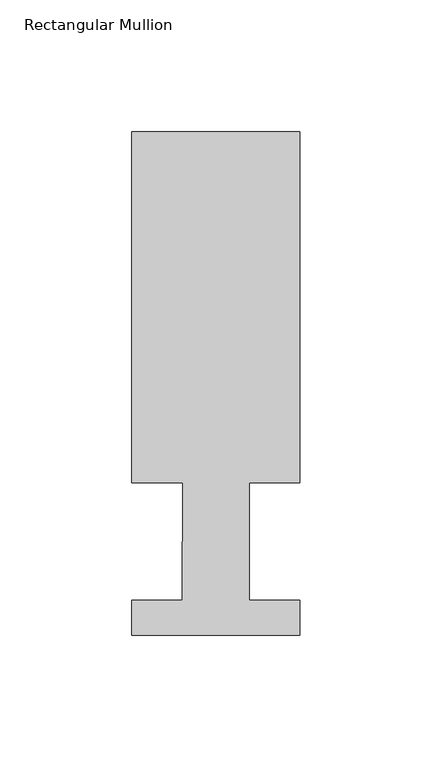
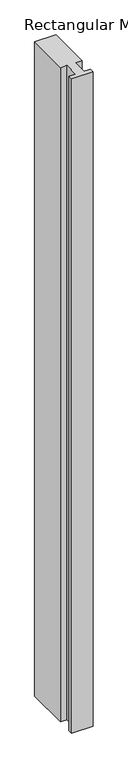
"""IFC4 building model written with IfcOpenShell, lengths in millimetres: member geometry, Rectangular Mullion."""

import ifcopenshell
import ifcopenshell.guid

model = None  # the IFC model being written
_history = None  # IfcOwnerHistory: only IFC2X3 demands one
_inside = {}  # id of a spatial element -> (the spatial element, [elements in it])
_under = {}  # id of a project, library or spatial element -> (it, [spatial elements below it])
_declared = {}  # id of a project -> (the project, [libraries it declares])
_typed = {}  # id of a type object -> (the type object, [elements of that type])
_made_of = {}  # id of a material, layer set ... -> (it, [elements and type objects made of it])


def new_model(schema):
    """Start an empty IFC model of exactly this schema.

    Asked for "IFC4X3", IfcOpenShell would pick the latest addendum, in which some entities
    have other attributes; the version numbers below select the first issue.
    IFC2X3 requires an IfcOwnerHistory on every rooted entity: one is made here for all.
    """
    global model, _history
    if schema == "IFC4X3":
        model = ifcopenshell.file(schema_version=(4, 3, 0, 0))
    else:
        model = ifcopenshell.file(schema=schema)
    _inside.clear()
    _under.clear()
    _declared.clear()
    _typed.clear()
    _made_of.clear()
    _history = None
    if model.schema == "IFC2X3":
        org = make("IfcOrganization", Name="unknown")
        user = make(
            "IfcPersonAndOrganization",
            ThePerson=make("IfcPerson", FamilyName="unknown"),
            TheOrganization=org,
        )
        app = make(
            "IfcApplication",
            ApplicationDeveloper=org,
            Version="unknown",
            ApplicationFullName="unknown",
            ApplicationIdentifier="unknown",
        )
        _history = make(
            "IfcOwnerHistory",
            OwningUser=user,
            OwningApplication=app,
            ChangeAction="ADDED",
            CreationDate=0,
        )
    return model


def make(cls, **values):
    """One entity of the class cls with the attributes given. An attribute that is None is left unset."""
    return model.create_entity(
        cls, **{name: value for name, value in values.items() if value is not None}
    )


def rooted(cls, **values):
    """An entity with a GlobalId (a new one), such as an element, a storey or a relation."""
    return make(cls, GlobalId=ifcopenshell.guid.new(), OwnerHistory=_history, **values)


def si_unit(unit_type, name, prefix=None):
    """IfcSIUnit, for example si_unit("LENGTHUNIT", "METRE", prefix="MILLI")."""
    return make("IfcSIUnit", UnitType=unit_type, Prefix=prefix, Name=name)


def assignment(units):
    """IfcUnitAssignment: the units of a project."""
    return None if units is None else make("IfcUnitAssignment", Units=units)


def point(xyz):
    """IfcCartesianPoint."""
    return None if xyz is None else make("IfcCartesianPoint", Coordinates=xyz)


def direction(xyz):
    """IfcDirection."""
    return None if xyz is None else make("IfcDirection", DirectionRatios=xyz)


def frame(location, z_axis=None, x_axis=None):
    """IfcAxis2Placement3D, a coordinate frame: its origin and axes. An axis left out is left unset."""
    return make(
        "IfcAxis2Placement3D",
        Location=point(location),
        Axis=direction(z_axis),
        RefDirection=direction(x_axis),
    )


def origin():
    """The frame at (0, 0, 0) with its axes left unset."""
    return frame((0.0, 0.0, 0.0))


def place(relative_to, where):
    """IfcLocalPlacement: puts the frame where relative to a parent placement (None: the world)."""
    return make(
        "IfcLocalPlacement", PlacementRelTo=relative_to, RelativePlacement=where
    )


def context(
    kind, dimensions, precision=None, world=None, true_north=None, identifier=None
):
    """IfcGeometricRepresentationContext, for example the 3D "Model" context."""
    return make(
        "IfcGeometricRepresentationContext",
        ContextIdentifier=identifier,
        ContextType=kind,
        CoordinateSpaceDimension=dimensions,
        Precision=precision,
        WorldCoordinateSystem=world,
        TrueNorth=true_north,
    )


def project(units=None, contexts=None):
    """IfcProject with its units and contexts."""
    return rooted(
        "IfcProject",
        Name="project",
        RepresentationContexts=contexts,
        UnitsInContext=assignment(units),
    )


def spatial(cls, under=None, at=None, **own):
    """A site, building, storey or space (cls), placed at a placement, below another one or the project."""
    s = rooted(cls, ObjectPlacement=at, **own)
    if under is not None:
        _under.setdefault(under.id(), (under, []))[1].append(s)
    return s


def polyline(points):
    """IfcPolyline through the points."""
    return make("IfcPolyline", Points=[point(p) for p in points])


def outline(outer, holes=None, kind="AREA"):
    """IfcArbitraryClosedProfileDef: a profile drawn as a closed curve; with holes, ...WithVoids."""
    if holes is None:
        return make("IfcArbitraryClosedProfileDef", ProfileType=kind, OuterCurve=outer)
    return make(
        "IfcArbitraryProfileDefWithVoids",
        ProfileType=kind,
        OuterCurve=outer,
        InnerCurves=holes,
    )


def extrude(swept, where, along, depth):
    """IfcExtrudedAreaSolid: the profile swept, set in the frame where, extruded along a direction by depth."""
    return make(
        "IfcExtrudedAreaSolid",
        SweptArea=swept,
        Position=where,
        ExtrudedDirection=direction(along),
        Depth=depth,
    )


def shape(context_of_items, identifier, shape_type, items):
    """IfcShapeRepresentation: the items that make up one representation, for example the "Body"."""
    return make(
        "IfcShapeRepresentation",
        ContextOfItems=context_of_items,
        RepresentationIdentifier=identifier,
        RepresentationType=shape_type,
        Items=items,
    )


def source(mapping_origin, context_of_items, identifier, shape_type, items):
    """IfcRepresentationMap: a shape defined once, which mapped items show again and again."""
    return make(
        "IfcRepresentationMap",
        MappingOrigin=mapping_origin,
        MappedRepresentation=shape(context_of_items, identifier, shape_type, items),
    )


def transform(
    local_origin,
    x_axis=None,
    y_axis=None,
    z_axis=None,
    scale=None,
    scale2=None,
    scale3=None,
    uniform=True,
):
    """IfcCartesianTransformationOperator3D, or its non-uniform kind. x_axis, y_axis, z_axis: its Axis1, 2, 3."""
    if uniform:
        return make(
            "IfcCartesianTransformationOperator3D",
            Axis1=direction(x_axis),
            Axis2=direction(y_axis),
            LocalOrigin=point(local_origin),
            Scale=scale,
            Axis3=direction(z_axis),
        )
    return make(
        "IfcCartesianTransformationOperator3DnonUniform",
        Axis1=direction(x_axis),
        Axis2=direction(y_axis),
        LocalOrigin=point(local_origin),
        Scale=scale,
        Axis3=direction(z_axis),
        Scale2=scale2,
        Scale3=scale3,
    )


def mapped(mapping_source, mapping_target):
    """IfcMappedItem: shows the shape of a source again, moved by a transform."""
    return make(
        "IfcMappedItem", MappingSource=mapping_source, MappingTarget=mapping_target
    )


def made_of(thing, what):
    """Note that an element or type object is made of a material, layer set ...; save() writes the relation."""
    if what is not None:
        _made_of.setdefault(what.id(), (what, []))[1].append(thing)
    return thing


def element(
    cls,
    number,
    at=None,
    inside=None,
    cuts=None,
    type_object=None,
    material=None,
    context=None,
    identifier="Body",
    shape_type=None,
    held_by="IfcProductDefinitionShape",
    body=None,
    shapes=None,
    **own,
):
    """One element of the class cls, such as IfcWall. Its Tag is "e" and its number.

    at: its placement. inside: the storey or other place that contains it. cuts: it is an
    opening in that element (IfcRelVoidsElement). A single representation is given by context,
    identifier, shape_type and body (its items); several are given by shapes. held_by: the class
    of the entity that holds the representations. save() writes the other relations.
    """
    e = rooted(cls, Tag="e%d" % number, ObjectPlacement=at, **own)
    if body is not None:
        shapes = [shape(context, identifier, shape_type, body)]
    if shapes is not None:
        e.Representation = make(held_by, Representations=shapes)
    if inside is not None:
        _inside.setdefault(inside.id(), (inside, []))[1].append(e)
    if cuts is not None:
        rooted(
            "IfcRelVoidsElement", RelatingBuildingElement=cuts, RelatedOpeningElement=e
        )
    if type_object is not None:
        _typed.setdefault(type_object.id(), (type_object, []))[1].append(e)
    return made_of(e, material)


def aggregate(whole, parts):
    """IfcRelAggregates: a whole, such as a stair, and the parts it consists of."""
    return rooted("IfcRelAggregates", RelatingObject=whole, RelatedObjects=parts)


def save(model, path):
    """Write the relations noted so far, then the file.

    IfcRelAggregates (storeys below a building ...), IfcRelContainedInSpatialStructure (elements
    in a storey), IfcRelDefinesByType, IfcRelAssociatesMaterial and IfcRelDeclares: one each for
    every whole, place, type object, material and project.
    """
    for whole, parts in _under.values():
        aggregate(whole, parts)
    for where, things in _inside.values():
        rooted(
            "IfcRelContainedInSpatialStructure",
            RelatedElements=things,
            RelatingStructure=where,
        )
    for kind, things in _typed.values():
        rooted("IfcRelDefinesByType", RelatedObjects=things, RelatingType=kind)
    for what, things in _made_of.values():
        rooted("IfcRelAssociatesMaterial", RelatedObjects=things, RelatingMaterial=what)
    for by, libraries in _declared.values():
        rooted("IfcRelDeclares", RelatingContext=by, RelatedDefinitions=libraries)
    model.write(path)


def rectangular_mullion_7292dbb8(model_context):
    return source(origin(), model_context, "Body", "SweptSolid", [
        extrude(outline(polyline([(31.75, 190.5896937), (31.75, 57.6460937), (12.7, 57.6460937), (12.7, 13.1960937), (31.75, 13.1960937), (31.75, 0.0134937), (-31.75, 0.0134937), (-31.75, 13.1960937), (-12.715932, 13.1960937), (-12.5676284, 57.6460937), (-31.75, 57.6460937), (-31.75, 190.5896937), (31.75, 190.5896937)])), frame((0.0, 0.0, -2057.4), z_axis=(0.0, 0.0, 1.0), x_axis=(1.0, 0.0, 0.0)), (0.0, 0.0, 1.0), 2057.4),
    ])


if __name__ == "__main__":
    model = new_model("IFC4")
    model_context = context("Model", 3, world=origin())
    ifc_project = project(units=[si_unit("LENGTHUNIT", "METRE", prefix="MILLI")], contexts=[model_context])
    site = spatial("IfcSite", under=ifc_project)
    building = spatial("IfcBuilding", under=site)
    placement = place(None, origin())
    rectangular_mullion_shape = rectangular_mullion_7292dbb8(model_context)
    element("IfcMember", 1, ObjectType="Rectangular Mullion", at=placement, inside=building, context=model_context, shape_type="MappedRepresentation", body=[
        mapped(rectangular_mullion_shape, transform((0.0, 0.0, 0.0), x_axis=(1.0, 0.0, 0.0), y_axis=(0.0, 1.0, 0.0), z_axis=(0.0, 0.0, 1.0))),
    ])
    save(model, "model.ifc")
